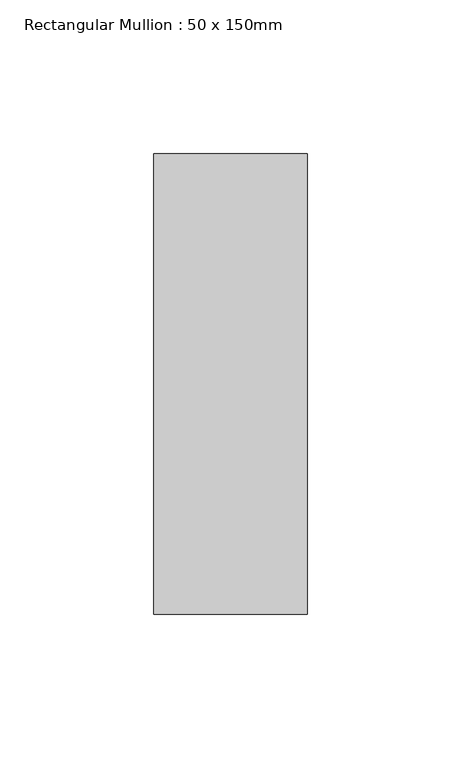
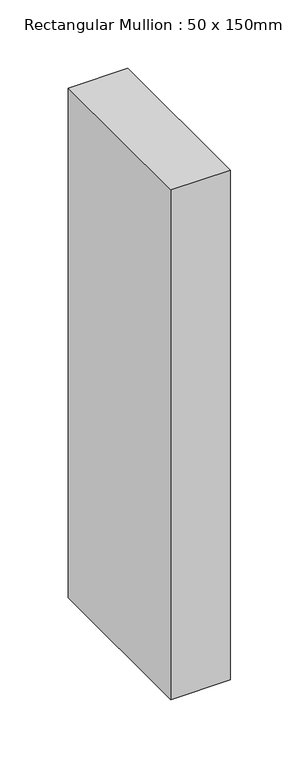
"""IFC4 building model written with IfcOpenShell, lengths in millimetres: member geometry, Rectangular Mullion : 50 x 150mm."""

import ifcopenshell
import ifcopenshell.guid

model = None  # the IFC model being written
_history = None  # IfcOwnerHistory: only IFC2X3 demands one
_inside = {}  # id of a spatial element -> (the spatial element, [elements in it])
_under = {}  # id of a project, library or spatial element -> (it, [spatial elements below it])
_declared = {}  # id of a project -> (the project, [libraries it declares])
_typed = {}  # id of a type object -> (the type object, [elements of that type])
_made_of = {}  # id of a material, layer set ... -> (it, [elements and type objects made of it])


def new_model(schema):
    """Start an empty IFC model of exactly this schema.

    Asked for "IFC4X3", IfcOpenShell would pick the latest addendum, in which some entities
    have other attributes; the version numbers below select the first issue.
    IFC2X3 requires an IfcOwnerHistory on every rooted entity: one is made here for all.
    """
    global model, _history
    if schema == "IFC4X3":
        model = ifcopenshell.file(schema_version=(4, 3, 0, 0))
    else:
        model = ifcopenshell.file(schema=schema)
    _inside.clear()
    _under.clear()
    _declared.clear()
    _typed.clear()
    _made_of.clear()
    _history = None
    if model.schema == "IFC2X3":
        org = make("IfcOrganization", Name="unknown")
        user = make(
            "IfcPersonAndOrganization",
            ThePerson=make("IfcPerson", FamilyName="unknown"),
            TheOrganization=org,
        )
        app = make(
            "IfcApplication",
            ApplicationDeveloper=org,
            Version="unknown",
            ApplicationFullName="unknown",
            ApplicationIdentifier="unknown",
        )
        _history = make(
            "IfcOwnerHistory",
            OwningUser=user,
            OwningApplication=app,
            ChangeAction="ADDED",
            CreationDate=0,
        )
    return model


def make(cls, **values):
    """One entity of the class cls with the attributes given. An attribute that is None is left unset."""
    return model.create_entity(
        cls, **{name: value for name, value in values.items() if value is not None}
    )


def rooted(cls, **values):
    """An entity with a GlobalId (a new one), such as an element, a storey or a relation."""
    return make(cls, GlobalId=ifcopenshell.guid.new(), OwnerHistory=_history, **values)


def si_unit(unit_type, name, prefix=None):
    """IfcSIUnit, for example si_unit("LENGTHUNIT", "METRE", prefix="MILLI")."""
    return make("IfcSIUnit", UnitType=unit_type, Prefix=prefix, Name=name)


def assignment(units):
    """IfcUnitAssignment: the units of a project."""
    return None if units is None else make("IfcUnitAssignment", Units=units)


def point(xyz):
    """IfcCartesianPoint."""
    return None if xyz is None else make("IfcCartesianPoint", Coordinates=xyz)


def direction(xyz):
    """IfcDirection."""
    return None if xyz is None else make("IfcDirection", DirectionRatios=xyz)


def frame(location, z_axis=None, x_axis=None):
    """IfcAxis2Placement3D, a coordinate frame: its origin and axes. An axis left out is left unset."""
    return make(
        "IfcAxis2Placement3D",
        Location=point(location),
        Axis=direction(z_axis),
        RefDirection=direction(x_axis),
    )


def origin():
    """The frame at (0, 0, 0) with its axes left unset."""
    return frame((0.0, 0.0, 0.0))


def place(relative_to, where):
    """IfcLocalPlacement: puts the frame where relative to a parent placement (None: the world)."""
    return make(
        "IfcLocalPlacement", PlacementRelTo=relative_to, RelativePlacement=where
    )


def context(
    kind, dimensions, precision=None, world=None, true_north=None, identifier=None
):
    """IfcGeometricRepresentationContext, for example the 3D "Model" context."""
    return make(
        "IfcGeometricRepresentationContext",
        ContextIdentifier=identifier,
        ContextType=kind,
        CoordinateSpaceDimension=dimensions,
        Precision=precision,
        WorldCoordinateSystem=world,
        TrueNorth=true_north,
    )


def project(units=None, contexts=None):
    """IfcProject with its units and contexts."""
    return rooted(
        "IfcProject",
        Name="project",
        RepresentationContexts=contexts,
        UnitsInContext=assignment(units),
    )


def spatial(cls, under=None, at=None, **own):
    """A site, building, storey or space (cls), placed at a placement, below another one or the project."""
    s = rooted(cls, ObjectPlacement=at, **own)
    if under is not None:
        _under.setdefault(under.id(), (under, []))[1].append(s)
    return s


def polyline(points):
    """IfcPolyline through the points."""
    return make("IfcPolyline", Points=[point(p) for p in points])


def outline(outer, holes=None, kind="AREA"):
    """IfcArbitraryClosedProfileDef: a profile drawn as a closed curve; with holes, ...WithVoids."""
    if holes is None:
        return make("IfcArbitraryClosedProfileDef", ProfileType=kind, OuterCurve=outer)
    return make(
        "IfcArbitraryProfileDefWithVoids",
        ProfileType=kind,
        OuterCurve=outer,
        InnerCurves=holes,
    )


def extrude(swept, where, along, depth):
    """IfcExtrudedAreaSolid: the profile swept, set in the frame where, extruded along a direction by depth."""
    return make(
        "IfcExtrudedAreaSolid",
        SweptArea=swept,
        Position=where,
        ExtrudedDirection=direction(along),
        Depth=depth,
    )


def shape(context_of_items, identifier, shape_type, items):
    """IfcShapeRepresentation: the items that make up one representation, for example the "Body"."""
    return make(
        "IfcShapeRepresentation",
        ContextOfItems=context_of_items,
        RepresentationIdentifier=identifier,
        RepresentationType=shape_type,
        Items=items,
    )


def source(mapping_origin, context_of_items, identifier, shape_type, items):
    """IfcRepresentationMap: a shape defined once, which mapped items show again and again."""
    return make(
        "IfcRepresentationMap",
        MappingOrigin=mapping_origin,
        MappedRepresentation=shape(context_of_items, identifier, shape_type, items),
    )


def transform(
    local_origin,
    x_axis=None,
    y_axis=None,
    z_axis=None,
    scale=None,
    scale2=None,
    scale3=None,
    uniform=True,
):
    """IfcCartesianTransformationOperator3D, or its non-uniform kind. x_axis, y_axis, z_axis: its Axis1, 2, 3."""
    if uniform:
        return make(
            "IfcCartesianTransformationOperator3D",
            Axis1=direction(x_axis),
            Axis2=direction(y_axis),
            LocalOrigin=point(local_origin),
            Scale=scale,
            Axis3=direction(z_axis),
        )
    return make(
        "IfcCartesianTransformationOperator3DnonUniform",
        Axis1=direction(x_axis),
        Axis2=direction(y_axis),
        LocalOrigin=point(local_origin),
        Scale=scale,
        Axis3=direction(z_axis),
        Scale2=scale2,
        Scale3=scale3,
    )


def mapped(mapping_source, mapping_target):
    """IfcMappedItem: shows the shape of a source again, moved by a transform."""
    return make(
        "IfcMappedItem", MappingSource=mapping_source, MappingTarget=mapping_target
    )


def made_of(thing, what):
    """Note that an element or type object is made of a material, layer set ...; save() writes the relation."""
    if what is not None:
        _made_of.setdefault(what.id(), (what, []))[1].append(thing)
    return thing


def element(
    cls,
    number,
    at=None,
    inside=None,
    cuts=None,
    type_object=None,
    material=None,
    context=None,
    identifier="Body",
    shape_type=None,
    held_by="IfcProductDefinitionShape",
    body=None,
    shapes=None,
    **own,
):
    """One element of the class cls, such as IfcWall. Its Tag is "e" and its number.

    at: its placement. inside: the storey or other place that contains it. cuts: it is an
    opening in that element (IfcRelVoidsElement). A single representation is given by context,
    identifier, shape_type and body (its items); several are given by shapes. held_by: the class
    of the entity that holds the representations. save() writes the other relations.
    """
    e = rooted(cls, Tag="e%d" % number, ObjectPlacement=at, **own)
    if body is not None:
        shapes = [shape(context, identifier, shape_type, body)]
    if shapes is not None:
        e.Representation = make(held_by, Representations=shapes)
    if inside is not None:
        _inside.setdefault(inside.id(), (inside, []))[1].append(e)
    if cuts is not None:
        rooted(
            "IfcRelVoidsElement", RelatingBuildingElement=cuts, RelatedOpeningElement=e
        )
    if type_object is not None:
        _typed.setdefault(type_object.id(), (type_object, []))[1].append(e)
    return made_of(e, material)


def aggregate(whole, parts):
    """IfcRelAggregates: a whole, such as a stair, and the parts it consists of."""
    return rooted("IfcRelAggregates", RelatingObject=whole, RelatedObjects=parts)


def save(model, path):
    """Write the relations noted so far, then the file.

    IfcRelAggregates (storeys below a building ...), IfcRelContainedInSpatialStructure (elements
    in a storey), IfcRelDefinesByType, IfcRelAssociatesMaterial and IfcRelDeclares: one each for
    every whole, place, type object, material and project.
    """
    for whole, parts in _under.values():
        aggregate(whole, parts)
    for where, things in _inside.values():
        rooted(
            "IfcRelContainedInSpatialStructure",
            RelatedElements=things,
            RelatingStructure=where,
        )
    for kind, things in _typed.values():
        rooted("IfcRelDefinesByType", RelatedObjects=things, RelatingType=kind)
    for what, things in _made_of.values():
        rooted("IfcRelAssociatesMaterial", RelatedObjects=things, RelatingMaterial=what)
    for by, libraries in _declared.values():
        rooted("IfcRelDeclares", RelatingContext=by, RelatedDefinitions=libraries)
    model.write(path)


def rectangular_mullion_50_x_150mm_3ace5169(model_context):
    return source(origin(), model_context, "Body", "SweptSolid", [
        extrude(outline(polyline([(25.0, 75.0), (25.0, -75.0), (-25.0, -75.0), (-25.0, 75.0), (25.0, 75.0)])), frame((0.0, 0.0, -454.9050314), z_axis=(0.0, 0.0, 1.0), x_axis=(1.0, 0.0, 0.0)), (0.0, 0.0, 1.0), 454.9050314),
    ])


if __name__ == "__main__":
    model = new_model("IFC4")
    model_context = context("Model", 3, world=origin())
    ifc_project = project(units=[si_unit("LENGTHUNIT", "METRE", prefix="MILLI")], contexts=[model_context])
    site = spatial("IfcSite", under=ifc_project)
    building = spatial("IfcBuilding", under=site)
    placement = place(None, origin())
    rectangular_mullion_50_x_150mm_shape = rectangular_mullion_50_x_150mm_3ace5169(model_context)
    element("IfcMember", 1, ObjectType="Rectangular Mullion : 50 x 150mm", at=placement, inside=building, context=model_context, shape_type="MappedRepresentation", body=[
        mapped(rectangular_mullion_50_x_150mm_shape, transform((0.0, 0.0, 0.0), x_axis=(1.0, 0.0, 0.0), y_axis=(0.0, 1.0, 0.0), z_axis=(0.0, 0.0, 1.0))),
    ])
    save(model, "model.ifc")
